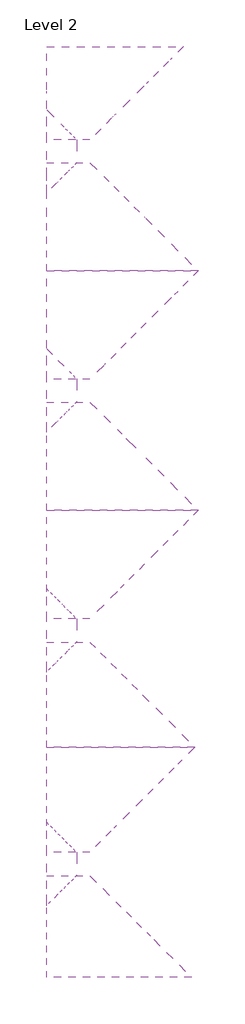
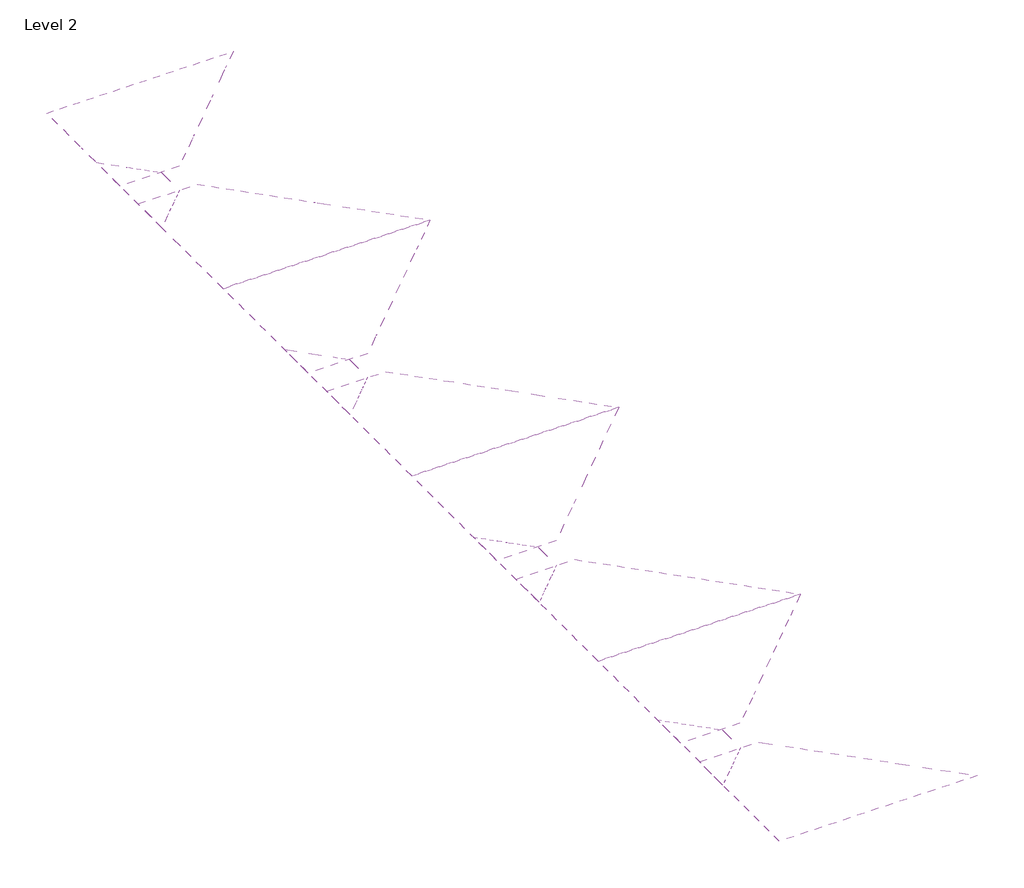
# One storey: 12 roofs.
"""IFC4 building model written with IfcOpenShell, lengths in millimetres."""

from ifc_helpers import new_model, si_unit, frame, origin, place, context, project, spatial, element, save
from ifc_brep_helpers import plane_surface, spline_surface, advanced_brep

model = new_model("IFC4")

# Units and contexts
model_context = context("Model", 3, world=origin())
ifc_project = project(units=[si_unit("LENGTHUNIT", "METRE", prefix="MILLI")], contexts=[model_context])

# Site, building, storey
site = spatial("IfcSite", under=ifc_project)
building = spatial("IfcBuilding", under=site)
storey = spatial("IfcBuildingStorey", under=building, Name="Level 2", Elevation=3048.0)

# Roofs
placement = place(None, origin())
element("IfcRoof", 1, at=placement, inside=storey, context=model_context, shape_type="AdvancedBrep", body=[
    advanced_brep(
    [(-24372.4256788, -3360.7928012, 4579.9478122), (-25540.8256788, -4529.1928012, 4605.5598039), (-25540.8256788, -4529.1928012, 4532.1140625), (-24372.4256788, -3360.7928012, 4556.4557292), (-24372.4256788, -2476.488271, 4579.9917043), (-24372.4256788, -2476.488271, 4556.4557292), (-25540.8256788, -1308.088271, 4599.5975742), (-25540.8256788, -1308.088271, 4532.1140625)],
    [
        (0, 1),
        (1, 2),
        (2, 3),
        (3, 0),
        (4, 0),
        (3, 5),
        (5, 4),
        (6, 4),
        (5, 7),
        (7, 6),
        (1, 6),
        (7, 2),
    ],
    [
        plane_surface(frame((-25540.8256788, -4529.1928012, 7620.0), z_axis=(0.7071067811865368, -0.7071067811865583, 0.0), x_axis=(0.7071067811865583, 0.7071067811865368, 0.0))),
        plane_surface(frame((-24372.4256788, -3360.7928012, 7620.0), z_axis=(1.0, 0.0, 0.0), x_axis=(0.0, 1.0, 0.0))),
        plane_surface(frame((-24372.4256788, -2476.488271, 7620.0), z_axis=(0.7071067811865555, 0.7071067811865396, 0.0), x_axis=(-0.7071067811865396, 0.7071067811865555, 0.0))),
        plane_surface(frame((-25540.8256788, -1308.088271, 7620.0), z_axis=(-1.0, 0.0, 0.0), x_axis=(0.0, -1.0, 0.0))),
        spline_surface(1, 1, [[(-24372.4256788, -2476.488271, 4579.9917043), (-24372.4256788, -3360.7928012, 4579.9478122)], [(-25540.8256788, -1308.088271, 4599.5975742), (-25540.8256788, -4529.1928012, 4605.5598039)]], [2, 2], [2, 2], [0.0, 1.0], [0.0, 1.0]),
        plane_surface(frame((-12458.2986163, -29171.1589791, 4804.6667096), z_axis=(0.020828813681835732, 0.0, -0.9997830567281122), x_axis=(0.0, 1.0, 0.0))),
    ],
    [
        (0, [[1, 2, 3, 4]]),
        (1, [[5, -4, 6, 7]]),
        (2, [[8, -7, 9, 10]]),
        (3, [[11, -10, 12, -2]]),
        (4, [[-1, -5, -8, -11]]),
        (5, [[-3, -12, -9, -6]]),
    ],
),
])
element("IfcRoof", 2, at=placement, inside=storey, context=model_context, shape_type="AdvancedBrep", body=[
    advanced_brep(
    [(-25540.8256788, -10578.3002855, 4605.5598039), (-24372.4256788, -11746.7002855, 4579.9478122), (-24372.4256788, -11746.7002855, 4556.4557292), (-25540.8256788, -10578.3002855, 4532.1140625), (-24372.4256788, -12631.0048156, 4579.9917043), (-24372.4256788, -12631.0048156, 4556.4557292), (-25540.8256788, -13799.4048156, 4599.5975742), (-25540.8256788, -13799.4048156, 4532.1140625)],
    [
        (0, 1),
        (1, 2),
        (2, 3),
        (3, 0),
        (1, 4),
        (4, 5),
        (5, 2),
        (4, 6),
        (6, 7),
        (7, 5),
        (6, 0),
        (3, 7),
    ],
    [
        plane_surface(frame((-24372.4256788, -11746.7002855, 7620.0), z_axis=(0.7071067811865316, 0.7071067811865636, 0.0), x_axis=(-0.7071067811865636, 0.7071067811865316, 0.0))),
        plane_surface(frame((-24372.4256788, -12631.0048156, 7620.0), z_axis=(1.0, 0.0, 0.0), x_axis=(0.0, 1.0, 0.0))),
        plane_surface(frame((-25540.8256788, -13799.4048156, 7620.0), z_axis=(0.7071067811865607, -0.7071067811865344, 0.0), x_axis=(0.7071067811865344, 0.7071067811865607, 0.0))),
        plane_surface(frame((-25540.8256788, -10578.3002855, 7620.0), z_axis=(-1.0, 0.0, 0.0), x_axis=(0.0, -1.0, 0.0))),
        spline_surface(1, 1, [[(-24372.4256788, -11746.7002855, 4579.9478122), (-24372.4256788, -12631.0048156, 4579.9917043)], [(-25540.8256788, -10578.3002855, 4605.5598039), (-25540.8256788, -13799.4048156, 4599.5975742)]], [2, 2], [2, 2], [0.0, 1.0], [0.0, 1.0]),
        plane_surface(frame((-12458.2986163, -29171.1589791, 4804.6667096), z_axis=(0.020828813681835732, 0.0, -0.9997830567281122), x_axis=(0.0, 1.0, 0.0))),
    ],
    [
        (0, [[1, 2, 3, 4]]),
        (1, [[5, 6, 7, -2]]),
        (2, [[8, 9, 10, -6]]),
        (3, [[11, -4, 12, -9]]),
        (4, [[-1, -11, -8, -5]]),
        (5, [[-3, -7, -10, -12]]),
    ],
),
])
element("IfcRoof", 3, at=placement, inside=storey, context=model_context, shape_type="AdvancedBrep", body=[
    advanced_brep(
    [(-24372.4256788, -21653.488271, 4579.9478122), (-25540.8256788, -22821.888271, 4605.5598039), (-25540.8256788, -22821.888271, 4532.1140625), (-24372.4256788, -21653.488271, 4556.4557292), (-24372.4256788, -20769.1837409, 4579.9917043), (-24372.4256788, -20769.1837409, 4556.4557292), (-25540.8256788, -19600.7837409, 4599.5975742), (-25540.8256788, -19600.7837409, 4532.1140625)],
    [
        (0, 1),
        (1, 2),
        (2, 3),
        (3, 0),
        (4, 0),
        (3, 5),
        (5, 4),
        (6, 4),
        (5, 7),
        (7, 6),
        (1, 6),
        (7, 2),
    ],
    [
        plane_surface(frame((-25540.8256788, -22821.888271, 7620.0), z_axis=(0.707106781186529, -0.7071067811865661, 0.0), x_axis=(0.7071067811865661, 0.707106781186529, 0.0))),
        plane_surface(frame((-24372.4256788, -21653.488271, 7620.0), z_axis=(1.0, 0.0, 0.0), x_axis=(0.0, 1.0, 0.0))),
        plane_surface(frame((-24372.4256788, -20769.1837409, 7620.0), z_axis=(0.7071067811865632, 0.7071067811865318, 0.0), x_axis=(-0.7071067811865318, 0.7071067811865632, 0.0))),
        plane_surface(frame((-25540.8256788, -19600.7837409, 7620.0), z_axis=(-1.0, 0.0, 0.0), x_axis=(0.0, -1.0, 0.0))),
        spline_surface(1, 1, [[(-24372.4256788, -20769.1837409, 4579.9917043), (-24372.4256788, -21653.488271, 4579.9478122)], [(-25540.8256788, -19600.7837409, 4599.5975742), (-25540.8256788, -22821.888271, 4605.5598039)]], [2, 2], [2, 2], [0.0, 1.0], [0.0, 1.0]),
        plane_surface(frame((-12458.2986163, -29171.1589791, 4804.6667096), z_axis=(0.020828813681835732, 0.0, -0.9997830567281122), x_axis=(0.0, 1.0, 0.0))),
    ],
    [
        (0, [[1, 2, 3, 4]]),
        (1, [[5, -4, 6, 7]]),
        (2, [[8, -7, 9, 10]]),
        (3, [[11, -10, 12, -2]]),
        (4, [[-1, -5, -8, -11]]),
        (5, [[-3, -12, -9, -6]]),
    ],
),
])
element("IfcRoof", 4, at=placement, inside=storey, context=model_context, shape_type="AdvancedBrep", body=[
    advanced_brep(
    [(-25540.8256788, -25597.6655361, 4639.7381559), (-25540.8256788, -21667.8428012, 4554.0131559), (-25540.8256788, -21667.8428012, 4532.1140625), (-25540.8256788, -25597.6655361, 4532.1140625), (-23862.4398715, -21667.8428012, 4589.3102561), (-23862.4398715, -21667.8428012, 4567.0804335), (-19932.6171365, -25597.6655361, 4675.13214), (-19932.6171365, -25597.6655361, 4648.9517405)],
    [
        (0, 1),
        (1, 2),
        (2, 3),
        (3, 0),
        (1, 4),
        (4, 5),
        (5, 2),
        (4, 6),
        (6, 7),
        (7, 5),
        (6, 0),
        (3, 7),
    ],
    [
        plane_surface(frame((-25540.8256788, -21667.8428012, 7620.0), z_axis=(-1.0, 0.0, 0.0), x_axis=(0.0, -1.0, 0.0))),
        plane_surface(frame((-23862.4398715, -21667.8428012, 7620.0), z_axis=(0.0, 1.0, 0.0), x_axis=(-1.0, 0.0, 0.0))),
        plane_surface(frame((-19932.6171365, -25597.6655361, 7620.0), z_axis=(0.707106781186552, 0.707106781186543, 0.0), x_axis=(-0.707106781186543, 0.707106781186552, 0.0))),
        plane_surface(frame((-25540.8256788, -25597.6655361, 7620.0), z_axis=(0.0, -1.0, 0.0), x_axis=(1.0, 0.0, 0.0))),
        spline_surface(1, 1, [[(-25540.8256788, -21667.8428012, 4554.0131559), (-23862.4398715, -21667.8428012, 4589.3102561)], [(-25540.8256788, -25597.6655361, 4639.7381559), (-19932.6171365, -25597.6655361, 4675.13214)]], [2, 2], [2, 2], [0.0, 1.0], [0.0, 1.0]),
        plane_surface(frame((-12458.2986163, -29171.1589791, 4804.6667096), z_axis=(0.020828813681835732, 0.0, -0.9997830567281122), x_axis=(0.0, 1.0, 0.0))),
    ],
    [
        (0, [[1, 2, 3, 4]]),
        (1, [[5, 6, 7, -2]]),
        (2, [[8, 9, 10, -6]]),
        (3, [[11, -4, 12, -9]]),
        (4, [[-1, -11, -8, -5]]),
        (5, [[-3, -7, -10, -12]]),
    ],
),
])
element("IfcRoof", 5, at=placement, inside=storey, context=model_context, shape_type="AdvancedBrep", body=[
    advanced_brep(
    [(-25540.8256788, -11734.788271, 4554.0131559), (-25540.8256788, -7553.3132711, 4639.7381559), (-25540.8256788, -7553.3132711, 4532.1140625), (-25540.8256788, -11734.788271, 4532.1140625), (-23862.4398715, -11734.788271, 4589.3102561), (-23862.4398715, -11734.788271, 4567.0804335), (-19680.9648715, -7553.313271, 4676.3321658), (-19680.9648715, -7553.313271, 4654.194496)],
    [
        (0, 1),
        (1, 2),
        (2, 3),
        (3, 0),
        (4, 0),
        (3, 5),
        (5, 4),
        (6, 4),
        (5, 7),
        (7, 6),
        (6, 1),
        (2, 7),
    ],
    [
        plane_surface(frame((-25540.8256788, -7553.3132711, 7620.0), z_axis=(-1.0, 0.0, 0.0), x_axis=(0.0, -1.0, 0.0))),
        plane_surface(frame((-25540.8256788, -11734.788271, 7620.0), z_axis=(0.0, -1.0, 0.0), x_axis=(1.0, 0.0, 0.0))),
        plane_surface(frame((-23862.4398715, -11734.788271, 7620.0), z_axis=(0.7071067811865495, -0.7071067811865456, 0.0), x_axis=(0.7071067811865456, 0.7071067811865495, 0.0))),
        spline_surface(1, 1, [[(-23862.4398715, -11734.788271, 4589.3102561), (-25540.8256788, -11734.788271, 4554.0131559)], [(-19680.9648715, -7553.313271, 4676.3321658), (-25540.8256788, -7553.3132711, 4639.7381559)]], [2, 2], [2, 2], [0.0, 1.0], [0.0, 1.0]),
        plane_surface(frame((-12458.2986163, -29171.1589791, 4804.6667096), z_axis=(0.020828813681835732, 0.0, -0.9997830567281122), x_axis=(0.0, 1.0, 0.0))),
        plane_surface(frame((-19680.9648715, -7553.313271, 7620.0), z_axis=(-3.952679892120082e-12, 1.0, 0.0), x_axis=(-1.0, -3.952679892120082e-12, 0.0))),
    ],
    [
        (0, [[1, 2, 3, 4]]),
        (1, [[5, -4, 6, 7]]),
        (2, [[8, -7, 9, 10]]),
        (3, [[-5, -8, 11, -1]]),
        (4, [[-3, 12, -9, -6]]),
        (5, [[-11, -10, -12, -2]]),
    ],
),
])
element("IfcRoof", 6, at=placement, inside=storey, context=model_context, shape_type="AdvancedBrep", body=[
    advanced_brep(
    [(-25540.8256785, 6756.411729, 4554.0131559), (-25540.8256784, 10362.3844639, 4639.7381559), (-25540.8256784, 10362.3844639, 4532.1140625), (-25540.8256785, 6756.411729, 4532.1140625), (-23862.4398711, 6756.411729, 4589.3102561), (-23862.4398711, 6756.411729, 4567.0804335), (-20256.4671361, 10362.3844639, 4675.13214), (-20256.4671361, 10362.3844639, 4642.2048655)],
    [
        (0, 1),
        (1, 2),
        (2, 3),
        (3, 0),
        (4, 0),
        (3, 5),
        (5, 4),
        (6, 4),
        (5, 7),
        (7, 6),
        (1, 6),
        (7, 2),
    ],
    [
        plane_surface(frame((-25540.8256784, 10362.3844639, 7620.0), z_axis=(-1.0, 1.1877116574251278e-11, 0.0), x_axis=(-1.1877116574251278e-11, -1.0, 0.0))),
        plane_surface(frame((-25540.8256785, 6756.411729, 7620.0), z_axis=(-1.1877186339563615e-11, -1.0, 0.0), x_axis=(1.0, -1.1877186339563615e-11, 0.0))),
        plane_surface(frame((-23862.4398711, 6756.411729, 7620.0), z_axis=(0.7071067811764293, -0.7071067811966658, 0.0), x_axis=(0.7071067811966658, 0.7071067811764293, 0.0))),
        plane_surface(frame((-20256.4671361, 10362.3844639, 7620.0), z_axis=(1.1876949865588877e-11, 1.0, 0.0), x_axis=(-1.0, 1.1876949865588877e-11, 0.0))),
        spline_surface(1, 1, [[(-23862.4398711, 6756.411729, 4589.3102561), (-25540.8256785, 6756.411729, 4554.0131559)], [(-20256.4671361, 10362.3844639, 4675.13214), (-25540.8256784, 10362.3844639, 4639.7381559)]], [2, 2], [2, 2], [0.0, 1.0], [0.0, 1.0]),
        plane_surface(frame((-12458.2986163, -29171.1589791, 4804.6667096), z_axis=(0.020828813681835732, 0.0, -0.9997830567281122), x_axis=(0.0, 1.0, 0.0))),
    ],
    [
        (0, [[1, 2, 3, 4]]),
        (1, [[5, -4, 6, 7]]),
        (2, [[8, -7, 9, 10]]),
        (3, [[11, -10, 12, -2]]),
        (4, [[-1, -5, -8, -11]]),
        (5, [[-3, -12, -9, -6]]),
    ],
),
])
element("IfcRoof", 7, at=placement, inside=storey, context=model_context, shape_type="AdvancedBrep", body=[
    advanced_brep(
    [(-25540.8256788, -20751.788271, 4554.0131559), (-25540.8256788, -16700.4882711, 4639.7381559), (-25540.8256788, -16700.4882711, 4532.1140625), (-25540.8256788, -20751.788271, 4532.1140625), (-23862.4398715, -20751.788271, 4589.3102561), (-23862.4398715, -20751.788271, 4567.0804335), (-19811.1398715, -16700.488271, 4675.1647455), (-19811.1398715, -16700.488271, 4651.4825168)],
    [
        (0, 1),
        (1, 2),
        (2, 3),
        (3, 0),
        (4, 0),
        (3, 5),
        (5, 4),
        (6, 4),
        (5, 7),
        (7, 6),
        (6, 1),
        (7, 2),
    ],
    [
        plane_surface(frame((-25540.8256788, -16700.4882711, 7620.0), z_axis=(-1.0, 0.0, 0.0), x_axis=(0.0, -1.0, 0.0))),
        plane_surface(frame((-25540.8256788, -20751.788271, 7620.0), z_axis=(0.0, -1.0, 0.0), x_axis=(1.0, 0.0, 0.0))),
        plane_surface(frame((-23862.4398715, -20751.788271, 7620.0), z_axis=(0.7071067811865372, -0.7071067811865578, 0.0), x_axis=(0.7071067811865578, 0.7071067811865372, 0.0))),
        spline_surface(1, 1, [[(-23862.4398715, -20751.788271, 4589.3102561), (-25540.8256788, -20751.788271, 4554.0131559)], [(-19811.1398715, -16700.488271, 4675.1647455), (-25540.8256788, -16700.4882711, 4639.7381559)]], [2, 2], [2, 2], [0.0, 1.0], [0.0, 1.0]),
        plane_surface(frame((-19811.1398715, -16700.488271, 7620.0), z_axis=(-3.937677876319003e-12, 1.0, 0.0), x_axis=(-1.0, -3.937677876319003e-12, 0.0))),
        plane_surface(frame((-12458.2986163, -29171.1589791, 4804.6667096), z_axis=(0.020828813681835732, 0.0, -0.9997830567281122), x_axis=(0.0, 1.0, 0.0))),
    ],
    [
        (0, [[1, 2, 3, 4]]),
        (1, [[5, -4, 6, 7]]),
        (2, [[8, -7, 9, 10]]),
        (3, [[-5, -8, 11, -1]]),
        (4, [[-11, -10, 12, -2]]),
        (5, [[-3, -12, -9, -6]]),
    ],
),
])
element("IfcRoof", 8, at=placement, inside=storey, context=model_context, shape_type="AdvancedBrep", body=[
    advanced_brep(
    [(-25540.8256788, -16700.4882711, 4639.7381559), (-25540.8256788, -12649.1882711, 4554.0131559), (-25540.8256788, -12649.1882711, 4532.1140625), (-25540.8256788, -16700.4882711, 4532.1140625), (-23862.4398715, -12649.1882711, 4589.3102561), (-23862.4398715, -12649.1882711, 4567.0804335), (-19811.1398715, -16700.488271, 4675.1647455), (-19811.1398715, -16700.488271, 4651.4825168)],
    [
        (0, 1),
        (1, 2),
        (2, 3),
        (3, 0),
        (1, 4),
        (4, 5),
        (5, 2),
        (4, 6),
        (6, 7),
        (7, 5),
        (0, 6),
        (3, 7),
    ],
    [
        plane_surface(frame((-25540.8256788, -12649.1882711, 7620.0), z_axis=(-1.0, -7.876566111131886e-12, 0.0), x_axis=(7.876566111131886e-12, -1.0, 0.0))),
        plane_surface(frame((-23862.4398715, -12649.1882711, 7620.0), z_axis=(-7.88339398273333e-12, 1.0, 0.0), x_axis=(-1.0, -7.88339398273333e-12, 0.0))),
        plane_surface(frame((-19811.1398715, -16700.488271, 7620.0), z_axis=(0.7071067811809683, 0.7071067811921268, 0.0), x_axis=(-0.7071067811921268, 0.7071067811809683, 0.0))),
        spline_surface(1, 1, [[(-25540.8256788, -12649.1882711, 4554.0131559), (-23862.4398715, -12649.1882711, 4589.3102561)], [(-25540.8256788, -16700.4882711, 4639.7381559), (-19811.1398715, -16700.488271, 4675.1647455)]], [2, 2], [2, 2], [0.0, 1.0], [0.0, 1.0]),
        plane_surface(frame((-25540.8256788, -16700.4882711, 7620.0), z_axis=(3.938013833416025e-12, -1.0, 0.0), x_axis=(1.0, 3.938013833416025e-12, 0.0))),
        plane_surface(frame((-12458.2986163, -29171.1589791, 4804.6667096), z_axis=(0.020828813681835732, 0.0, -0.9997830567281122), x_axis=(0.0, 1.0, 0.0))),
    ],
    [
        (0, [[1, 2, 3, 4]]),
        (1, [[5, 6, 7, -2]]),
        (2, [[8, 9, 10, -6]]),
        (3, [[-5, -1, 11, -8]]),
        (4, [[-11, -4, 12, -9]]),
        (5, [[-3, -7, -10, -12]]),
    ],
),
])
element("IfcRoof", 9, at=placement, inside=storey, context=model_context, shape_type="AdvancedBrep", body=[
    advanced_brep(
    [(-25540.8256788, -7553.3132711, 4639.7381559), (-25540.8256788, -3371.8382711, 4554.0131559), (-25540.8256788, -3371.8382711, 4532.1140625), (-25540.8256788, -7553.3132711, 4532.1140625), (-23862.4398715, -3371.8382711, 4589.3102561), (-23862.4398715, -3371.8382711, 4567.0804335), (-19680.9648715, -7553.313271, 4676.3321658), (-19680.9648715, -7553.313271, 4654.194496)],
    [
        (0, 1),
        (1, 2),
        (2, 3),
        (3, 0),
        (1, 4),
        (4, 5),
        (5, 2),
        (4, 6),
        (6, 7),
        (7, 5),
        (0, 6),
        (3, 7),
    ],
    [
        plane_surface(frame((-25540.8256788, -3371.8382711, 7620.0), z_axis=(-1.0, -7.888979383814056e-12, 0.0), x_axis=(7.888979383814056e-12, -1.0, 0.0))),
        plane_surface(frame((-23862.4398715, -3371.8382711, 7620.0), z_axis=(-7.895807255415501e-12, 1.0, 0.0), x_axis=(-1.0, -7.895807255415501e-12, 0.0))),
        plane_surface(frame((-19680.9648715, -7553.313271, 7620.0), z_axis=(0.7071067811809595, 0.7071067811921355, 0.0), x_axis=(-0.7071067811921355, 0.7071067811809595, 0.0))),
        spline_surface(1, 1, [[(-25540.8256788, -3371.8382711, 4554.0131559), (-23862.4398715, -3371.8382711, 4589.3102561)], [(-25540.8256788, -7553.3132711, 4639.7381559), (-19680.9648715, -7553.313271, 4676.3321658)]], [2, 2], [2, 2], [0.0, 1.0], [0.0, 1.0]),
        plane_surface(frame((-25540.8256788, -7553.3132711, 7620.0), z_axis=(3.952807510155394e-12, -1.0, 0.0), x_axis=(1.0, 3.952807510155394e-12, 0.0))),
        plane_surface(frame((-12458.2986163, -29171.1589791, 4804.6667096), z_axis=(0.020828813681835732, 0.0, -0.9997830567281122), x_axis=(0.0, 1.0, 0.0))),
    ],
    [
        (0, [[1, 2, 3, 4]]),
        (1, [[5, 6, 7, -2]]),
        (2, [[8, 9, 10, -6]]),
        (3, [[-5, -1, 11, -8]]),
        (4, [[-11, -4, 12, -9]]),
        (5, [[-3, -7, -10, -12]]),
    ],
),
])
element("IfcRoof", 10, at=placement, inside=storey, context=model_context, shape_type="AdvancedBrep", body=[
    advanced_brep(
    [(-25540.8256794, -2482.8382711, 4554.0131559), (-25540.8256795, 1698.6367289, 4639.7381559), (-25540.8256795, 1698.6367289, 4532.1140625), (-25540.8256794, -2482.8382711, 4532.1140625), (-23862.439872, -2482.8382711, 4589.3102561), (-23862.439872, -2482.8382711, 4567.0804335), (-19680.9648721, 1698.6367291, 4676.3321658), (-19680.9648721, 1698.6367291, 4654.194496)],
    [
        (0, 1),
        (1, 2),
        (2, 3),
        (3, 0),
        (4, 0),
        (3, 5),
        (5, 4),
        (6, 4),
        (5, 7),
        (7, 6),
        (6, 1),
        (7, 2),
    ],
    [
        plane_surface(frame((-25540.8256795, 1698.6367289, 7620.0), z_axis=(-1.0, -2.763600130813011e-11, 0.0), x_axis=(2.763600130813011e-11, -1.0, 0.0))),
        plane_surface(frame((-25540.8256794, -2482.8382711, 7620.0), z_axis=(2.763644287333403e-11, -1.0, 0.0), x_axis=(1.0, 2.763644287333403e-11, 0.0))),
        plane_surface(frame((-23862.439872, -2482.8382711, 7620.0), z_axis=(0.7071067812069303, -0.7071067811661649, 0.0), x_axis=(0.7071067811661649, 0.7071067812069303, 0.0))),
        spline_surface(1, 1, [[(-23862.439872, -2482.8382711, 4589.3102561), (-25540.8256794, -2482.8382711, 4554.0131559)], [(-19680.9648721, 1698.6367291, 4676.3321658), (-25540.8256795, 1698.6367289, 4639.7381559)]], [2, 2], [2, 2], [0.0, 1.0], [0.0, 1.0]),
        plane_surface(frame((-19680.9648721, 1698.6367291, 7620.0), z_axis=(-2.7636312575621852e-11, 1.0, 0.0), x_axis=(-1.0, -2.7636312575621852e-11, 0.0))),
        plane_surface(frame((-12458.2986163, -29171.1589791, 4804.6667096), z_axis=(0.020828813681835732, 0.0, -0.9997830567281122), x_axis=(0.0, 1.0, 0.0))),
    ],
    [
        (0, [[1, 2, 3, 4]]),
        (1, [[5, -4, 6, 7]]),
        (2, [[8, -7, 9, 10]]),
        (3, [[-5, -8, 11, -1]]),
        (4, [[-11, -10, 12, -2]]),
        (5, [[-3, -12, -9, -6]]),
    ],
),
])
element("IfcRoof", 11, at=placement, inside=storey, context=model_context, shape_type="AdvancedBrep", body=[
    advanced_brep(
    [(-25540.8256795, 1698.6367289, 4639.7381559), (-25540.8256796, 5880.1117289, 4554.0131559), (-25540.8256796, 5880.1117289, 4532.1140625), (-25540.8256795, 1698.6367289, 4532.1140625), (-23862.4398723, 5880.1117289, 4589.3102561), (-23862.4398723, 5880.1117289, 4567.0804335), (-19680.9648721, 1698.6367291, 4676.3321658), (-19680.9648721, 1698.6367291, 4654.194496)],
    [
        (0, 1),
        (1, 2),
        (2, 3),
        (3, 0),
        (1, 4),
        (4, 5),
        (5, 2),
        (4, 6),
        (6, 7),
        (7, 5),
        (0, 6),
        (3, 7),
    ],
    [
        plane_surface(frame((-25540.8256796, 5880.1117289, 7620.0), z_axis=(-1.0, -2.7636623843113594e-11, 0.0), x_axis=(2.7636623843113594e-11, -1.0, 0.0))),
        plane_surface(frame((-23862.4398723, 5880.1117289, 7620.0), z_axis=(-2.7636182277909674e-11, 1.0, 0.0), x_axis=(-1.0, -2.7636182277909674e-11, 0.0))),
        plane_surface(frame((-19680.9648721, 1698.6367291, 7620.0), z_axis=(0.7071067811678466, 0.7071067812052485, 0.0), x_axis=(-0.7071067812052485, 0.7071067811678466, 0.0))),
        spline_surface(1, 1, [[(-25540.8256796, 5880.1117289, 4554.0131559), (-23862.4398723, 5880.1117289, 4589.3102561)], [(-25540.8256795, 1698.6367289, 4639.7381559), (-19680.9648721, 1698.6367291, 4676.3321658)]], [2, 2], [2, 2], [0.0, 1.0], [0.0, 1.0]),
        plane_surface(frame((-25540.8256795, 1698.6367289, 7620.0), z_axis=(2.7636312575621852e-11, -1.0, 0.0), x_axis=(1.0, 2.7636312575621852e-11, 0.0))),
        plane_surface(frame((-12458.2986163, -29171.1589791, 4804.6667096), z_axis=(0.020828813681835732, 0.0, -0.9997830567281122), x_axis=(0.0, 1.0, 0.0))),
    ],
    [
        (0, [[1, 2, 3, 4]]),
        (1, [[5, 6, 7, -2]]),
        (2, [[8, 9, 10, -6]]),
        (3, [[-5, -1, 11, -8]]),
        (4, [[-11, -4, 12, -9]]),
        (5, [[-3, -7, -10, -12]]),
    ],
),
])
element("IfcRoof", 12, at=placement, inside=storey, context=model_context, shape_type="AdvancedBrep", body=[
    advanced_brep(
    [(-25540.8256791, 7926.4662589, 4605.5598039), (-24372.4256791, 6758.066259, 4579.9478122), (-24372.4256791, 6758.066259, 4556.4557292), (-25540.8256791, 7926.4662589, 4532.1140625), (-24372.425679, 5873.7617289, 4579.9917043), (-24372.425679, 5873.7617289, 4556.4557292), (-25540.825679, 4705.3617288, 4599.5975742), (-25540.825679, 4705.3617288, 4532.1140625)],
    [
        (0, 1),
        (1, 2),
        (2, 3),
        (3, 0),
        (1, 4),
        (4, 5),
        (5, 2),
        (4, 6),
        (6, 7),
        (7, 5),
        (6, 0),
        (3, 7),
    ],
    [
        plane_surface(frame((-24372.4256791, 6758.066259, 7620.0), z_axis=(0.7071067811474532, 0.707106781225642, 0.0), x_axis=(-0.707106781225642, 0.7071067811474532, 0.0))),
        plane_surface(frame((-24372.425679, 5873.7617289, 7620.0), z_axis=(1.0, 5.5278609993481546e-11, 0.0), x_axis=(-5.5278609993481546e-11, 1.0, 0.0))),
        plane_surface(frame((-25540.825679, 4705.3617288, 7620.0), z_axis=(0.7071067812256391, -0.707106781147456, 0.0), x_axis=(0.707106781147456, 0.7071067812256391, 0.0))),
        plane_surface(frame((-25540.8256791, 7926.4662589, 7620.0), z_axis=(-1.0, -5.528159375234615e-11, 0.0), x_axis=(5.528159375234615e-11, -1.0, 0.0))),
        spline_surface(1, 1, [[(-24372.4256791, 6758.066259, 4579.9478122), (-24372.425679, 5873.7617289, 4579.9917043)], [(-25540.8256791, 7926.4662589, 4605.5598039), (-25540.825679, 4705.3617288, 4599.5975742)]], [2, 2], [2, 2], [0.0, 1.0], [0.0, 1.0]),
        plane_surface(frame((-12458.2986163, -29171.1589791, 4804.6667096), z_axis=(0.020828813681835732, 0.0, -0.9997830567281122), x_axis=(0.0, 1.0, 0.0))),
    ],
    [
        (0, [[1, 2, 3, 4]]),
        (1, [[5, 6, 7, -2]]),
        (2, [[8, 9, 10, -6]]),
        (3, [[11, -4, 12, -9]]),
        (4, [[-1, -11, -8, -5]]),
        (5, [[-3, -7, -10, -12]]),
    ],
),
])

save(model, "model.ifc")
